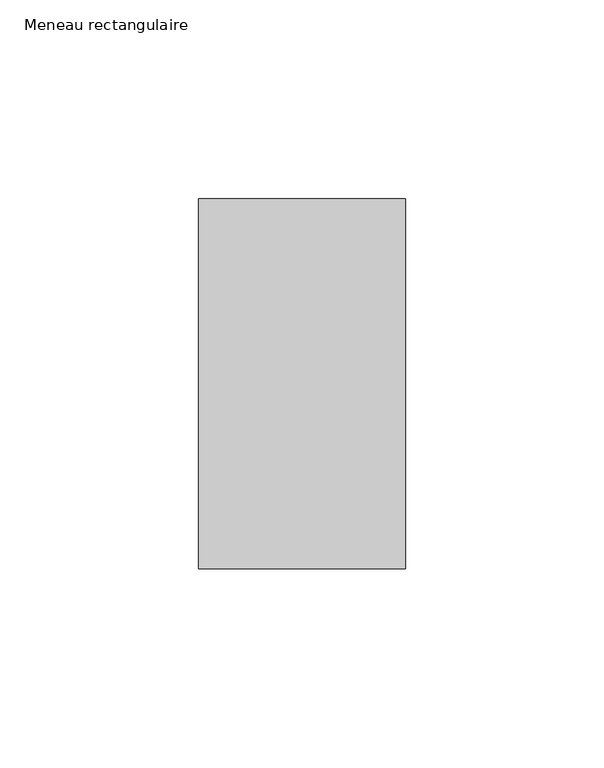
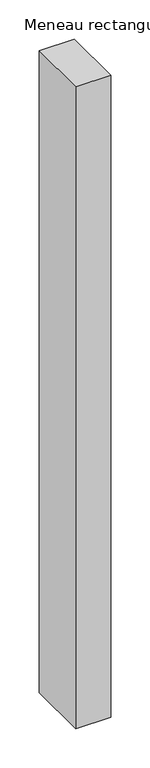
"""IFC4 building model written with IfcOpenShell, lengths in millimetres: member geometry, Meneau rectangulaire."""

import ifcopenshell
import ifcopenshell.guid

model = None  # the IFC model being written
_history = None  # IfcOwnerHistory: only IFC2X3 demands one
_inside = {}  # id of a spatial element -> (the spatial element, [elements in it])
_under = {}  # id of a project, library or spatial element -> (it, [spatial elements below it])
_declared = {}  # id of a project -> (the project, [libraries it declares])
_typed = {}  # id of a type object -> (the type object, [elements of that type])
_made_of = {}  # id of a material, layer set ... -> (it, [elements and type objects made of it])


def new_model(schema):
    """Start an empty IFC model of exactly this schema.

    Asked for "IFC4X3", IfcOpenShell would pick the latest addendum, in which some entities
    have other attributes; the version numbers below select the first issue.
    IFC2X3 requires an IfcOwnerHistory on every rooted entity: one is made here for all.
    """
    global model, _history
    if schema == "IFC4X3":
        model = ifcopenshell.file(schema_version=(4, 3, 0, 0))
    else:
        model = ifcopenshell.file(schema=schema)
    _inside.clear()
    _under.clear()
    _declared.clear()
    _typed.clear()
    _made_of.clear()
    _history = None
    if model.schema == "IFC2X3":
        org = make("IfcOrganization", Name="unknown")
        user = make(
            "IfcPersonAndOrganization",
            ThePerson=make("IfcPerson", FamilyName="unknown"),
            TheOrganization=org,
        )
        app = make(
            "IfcApplication",
            ApplicationDeveloper=org,
            Version="unknown",
            ApplicationFullName="unknown",
            ApplicationIdentifier="unknown",
        )
        _history = make(
            "IfcOwnerHistory",
            OwningUser=user,
            OwningApplication=app,
            ChangeAction="ADDED",
            CreationDate=0,
        )
    return model


def make(cls, **values):
    """One entity of the class cls with the attributes given. An attribute that is None is left unset."""
    return model.create_entity(
        cls, **{name: value for name, value in values.items() if value is not None}
    )


def rooted(cls, **values):
    """An entity with a GlobalId (a new one), such as an element, a storey or a relation."""
    return make(cls, GlobalId=ifcopenshell.guid.new(), OwnerHistory=_history, **values)


def si_unit(unit_type, name, prefix=None):
    """IfcSIUnit, for example si_unit("LENGTHUNIT", "METRE", prefix="MILLI")."""
    return make("IfcSIUnit", UnitType=unit_type, Prefix=prefix, Name=name)


def assignment(units):
    """IfcUnitAssignment: the units of a project."""
    return None if units is None else make("IfcUnitAssignment", Units=units)


def point(xyz):
    """IfcCartesianPoint."""
    return None if xyz is None else make("IfcCartesianPoint", Coordinates=xyz)


def direction(xyz):
    """IfcDirection."""
    return None if xyz is None else make("IfcDirection", DirectionRatios=xyz)


def frame(location, z_axis=None, x_axis=None):
    """IfcAxis2Placement3D, a coordinate frame: its origin and axes. An axis left out is left unset."""
    return make(
        "IfcAxis2Placement3D",
        Location=point(location),
        Axis=direction(z_axis),
        RefDirection=direction(x_axis),
    )


def origin():
    """The frame at (0, 0, 0) with its axes left unset."""
    return frame((0.0, 0.0, 0.0))


def place(relative_to, where):
    """IfcLocalPlacement: puts the frame where relative to a parent placement (None: the world)."""
    return make(
        "IfcLocalPlacement", PlacementRelTo=relative_to, RelativePlacement=where
    )


def context(
    kind, dimensions, precision=None, world=None, true_north=None, identifier=None
):
    """IfcGeometricRepresentationContext, for example the 3D "Model" context."""
    return make(
        "IfcGeometricRepresentationContext",
        ContextIdentifier=identifier,
        ContextType=kind,
        CoordinateSpaceDimension=dimensions,
        Precision=precision,
        WorldCoordinateSystem=world,
        TrueNorth=true_north,
    )


def project(units=None, contexts=None):
    """IfcProject with its units and contexts."""
    return rooted(
        "IfcProject",
        Name="project",
        RepresentationContexts=contexts,
        UnitsInContext=assignment(units),
    )


def spatial(cls, under=None, at=None, **own):
    """A site, building, storey or space (cls), placed at a placement, below another one or the project."""
    s = rooted(cls, ObjectPlacement=at, **own)
    if under is not None:
        _under.setdefault(under.id(), (under, []))[1].append(s)
    return s


def polyline(points):
    """IfcPolyline through the points."""
    return make("IfcPolyline", Points=[point(p) for p in points])


def outline(outer, holes=None, kind="AREA"):
    """IfcArbitraryClosedProfileDef: a profile drawn as a closed curve; with holes, ...WithVoids."""
    if holes is None:
        return make("IfcArbitraryClosedProfileDef", ProfileType=kind, OuterCurve=outer)
    return make(
        "IfcArbitraryProfileDefWithVoids",
        ProfileType=kind,
        OuterCurve=outer,
        InnerCurves=holes,
    )


def extrude(swept, where, along, depth):
    """IfcExtrudedAreaSolid: the profile swept, set in the frame where, extruded along a direction by depth."""
    return make(
        "IfcExtrudedAreaSolid",
        SweptArea=swept,
        Position=where,
        ExtrudedDirection=direction(along),
        Depth=depth,
    )


def shape(context_of_items, identifier, shape_type, items):
    """IfcShapeRepresentation: the items that make up one representation, for example the "Body"."""
    return make(
        "IfcShapeRepresentation",
        ContextOfItems=context_of_items,
        RepresentationIdentifier=identifier,
        RepresentationType=shape_type,
        Items=items,
    )


def source(mapping_origin, context_of_items, identifier, shape_type, items):
    """IfcRepresentationMap: a shape defined once, which mapped items show again and again."""
    return make(
        "IfcRepresentationMap",
        MappingOrigin=mapping_origin,
        MappedRepresentation=shape(context_of_items, identifier, shape_type, items),
    )


def transform(
    local_origin,
    x_axis=None,
    y_axis=None,
    z_axis=None,
    scale=None,
    scale2=None,
    scale3=None,
    uniform=True,
):
    """IfcCartesianTransformationOperator3D, or its non-uniform kind. x_axis, y_axis, z_axis: its Axis1, 2, 3."""
    if uniform:
        return make(
            "IfcCartesianTransformationOperator3D",
            Axis1=direction(x_axis),
            Axis2=direction(y_axis),
            LocalOrigin=point(local_origin),
            Scale=scale,
            Axis3=direction(z_axis),
        )
    return make(
        "IfcCartesianTransformationOperator3DnonUniform",
        Axis1=direction(x_axis),
        Axis2=direction(y_axis),
        LocalOrigin=point(local_origin),
        Scale=scale,
        Axis3=direction(z_axis),
        Scale2=scale2,
        Scale3=scale3,
    )


def mapped(mapping_source, mapping_target):
    """IfcMappedItem: shows the shape of a source again, moved by a transform."""
    return make(
        "IfcMappedItem", MappingSource=mapping_source, MappingTarget=mapping_target
    )


def made_of(thing, what):
    """Note that an element or type object is made of a material, layer set ...; save() writes the relation."""
    if what is not None:
        _made_of.setdefault(what.id(), (what, []))[1].append(thing)
    return thing


def element(
    cls,
    number,
    at=None,
    inside=None,
    cuts=None,
    type_object=None,
    material=None,
    context=None,
    identifier="Body",
    shape_type=None,
    held_by="IfcProductDefinitionShape",
    body=None,
    shapes=None,
    **own,
):
    """One element of the class cls, such as IfcWall. Its Tag is "e" and its number.

    at: its placement. inside: the storey or other place that contains it. cuts: it is an
    opening in that element (IfcRelVoidsElement). A single representation is given by context,
    identifier, shape_type and body (its items); several are given by shapes. held_by: the class
    of the entity that holds the representations. save() writes the other relations.
    """
    e = rooted(cls, Tag="e%d" % number, ObjectPlacement=at, **own)
    if body is not None:
        shapes = [shape(context, identifier, shape_type, body)]
    if shapes is not None:
        e.Representation = make(held_by, Representations=shapes)
    if inside is not None:
        _inside.setdefault(inside.id(), (inside, []))[1].append(e)
    if cuts is not None:
        rooted(
            "IfcRelVoidsElement", RelatingBuildingElement=cuts, RelatedOpeningElement=e
        )
    if type_object is not None:
        _typed.setdefault(type_object.id(), (type_object, []))[1].append(e)
    return made_of(e, material)


def aggregate(whole, parts):
    """IfcRelAggregates: a whole, such as a stair, and the parts it consists of."""
    return rooted("IfcRelAggregates", RelatingObject=whole, RelatedObjects=parts)


def save(model, path):
    """Write the relations noted so far, then the file.

    IfcRelAggregates (storeys below a building ...), IfcRelContainedInSpatialStructure (elements
    in a storey), IfcRelDefinesByType, IfcRelAssociatesMaterial and IfcRelDeclares: one each for
    every whole, place, type object, material and project.
    """
    for whole, parts in _under.values():
        aggregate(whole, parts)
    for where, things in _inside.values():
        rooted(
            "IfcRelContainedInSpatialStructure",
            RelatedElements=things,
            RelatingStructure=where,
        )
    for kind, things in _typed.values():
        rooted("IfcRelDefinesByType", RelatedObjects=things, RelatingType=kind)
    for what, things in _made_of.values():
        rooted("IfcRelAssociatesMaterial", RelatedObjects=things, RelatingMaterial=what)
    for by, libraries in _declared.values():
        rooted("IfcRelDeclares", RelatingContext=by, RelatedDefinitions=libraries)
    model.write(path)


def meneau_rectangulaire_13060732(model_context):
    return source(origin(), model_context, "Body", "SweptSolid", [
        extrude(outline(polyline([(-52.0, 46.5), (0.0, 46.5), (0.0, -46.5), (-52.0, -46.5), (-52.0, 46.5)])), frame((0.0, 0.0, -1001.0497356), z_axis=(0.0, 0.0, 1.0), x_axis=(1.0, 0.0, 0.0)), (0.0, 0.0, 1.0), 1001.0497356),
    ])


if __name__ == "__main__":
    model = new_model("IFC4")
    model_context = context("Model", 3, world=origin())
    ifc_project = project(units=[si_unit("LENGTHUNIT", "METRE", prefix="MILLI")], contexts=[model_context])
    site = spatial("IfcSite", under=ifc_project)
    building = spatial("IfcBuilding", under=site)
    placement = place(None, origin())
    meneau_rectangulaire_shape = meneau_rectangulaire_13060732(model_context)
    element("IfcMember", 1, ObjectType="Meneau rectangulaire", at=placement, inside=building, context=model_context, shape_type="MappedRepresentation", body=[
        mapped(meneau_rectangulaire_shape, transform((0.0, 0.0, 0.0), x_axis=(1.0, 0.0, 0.0), y_axis=(0.0, 1.0, 0.0), z_axis=(0.0, 0.0, 1.0))),
    ])
    save(model, "model.ifc")
